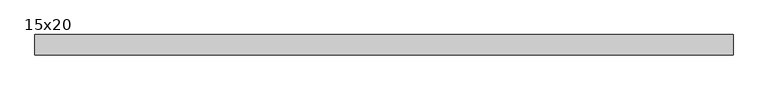
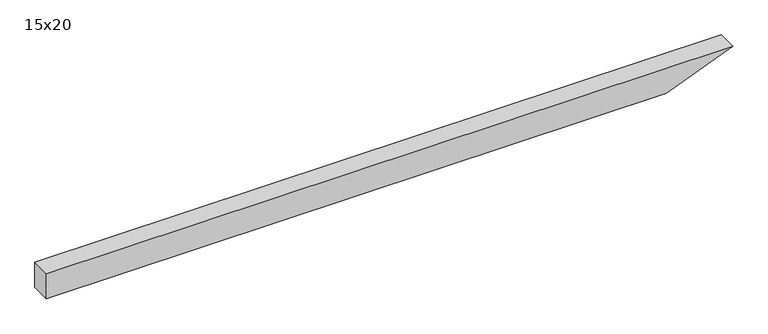
"""IFC4 building model written with IfcOpenShell, lengths in millimetres: beam geometry, 15x20."""

from ifc_helpers import new_model, si_unit, frame, origin, place, context, project, spatial, polyline, outline, extrude, source, transform, mapped, element, save


def beam_15x20_c5a83a25(model_context):
    return source(origin(), model_context, "Body", "SweptSolid", [
        extrude(outline(polyline([(100.0, -2615.0), (-100.0, -2615.0), (-100.0, 2062.8), (100.0, 2565.0), (100.0, -2615.0)])), frame((0.0, -75.0, 0.0), z_axis=(0.0, 1.0, 0.0), x_axis=(0.0, 0.0, 1.0)), (0.0, 0.0, 1.0), 150.0),
    ])


if __name__ == "__main__":
    model = new_model("IFC4")
    model_context = context("Model", 3, world=origin())
    ifc_project = project(units=[si_unit("LENGTHUNIT", "METRE", prefix="MILLI")], contexts=[model_context])
    site = spatial("IfcSite", under=ifc_project)
    building = spatial("IfcBuilding", under=site)
    placement = place(None, origin())
    beam_15x20_shape = beam_15x20_c5a83a25(model_context)
    element("IfcBeam", 1, ObjectType="15x20", at=placement, inside=building, context=model_context, shape_type="MappedRepresentation", body=[
        mapped(beam_15x20_shape, transform((0.0, 0.0, 0.0), x_axis=(1.0, 0.0, 0.0), y_axis=(0.0, 1.0, 0.0), z_axis=(0.0, 0.0, 1.0))),
    ])
    save(model, "model.ifc")
